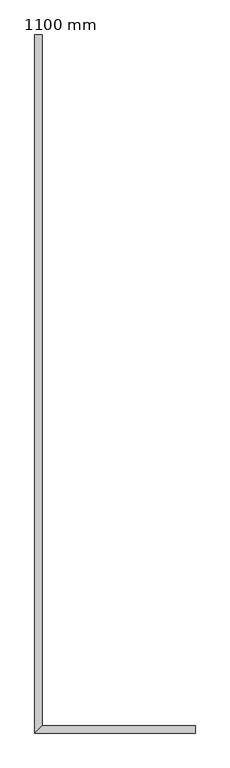
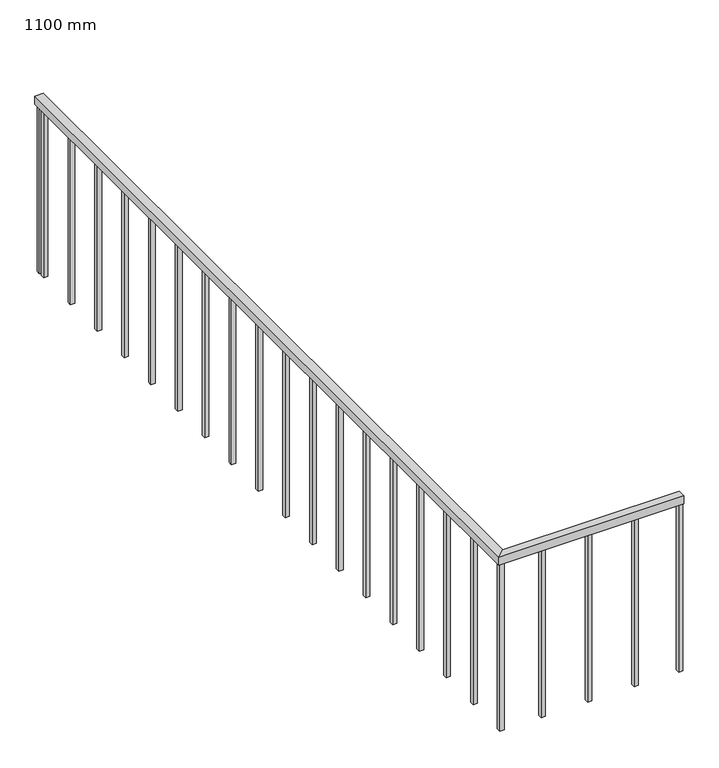
"""IFC4 building model written with IfcOpenShell, lengths in millimetres: railing geometry, 1100 mm."""

from ifc_helpers import new_model, si_unit, frame, origin, place, context, project, spatial, polyline, outline, extrude, faceted_brep, source, transform, mapped, element, save


def railing_1100_mm_353af4ba(model_context):
    return source(origin(), model_context, "Body", "SolidModel", [
        faceted_brep([(-596.3333557, -1197.5476232, 9500.0), (-596.3333557, -1247.5476232, 9500.0), (-596.3333557, -1247.5476232, 9450.0), (-596.3333557, -1197.5476232, 9450.0), (-1640.4724667, -1197.5476232, 9500.0), (-1690.4724667, -1247.5476232, 9500.0), (-1690.4724667, -1247.5476232, 9450.0), (-1640.4724667, -1197.5476232, 9450.0), (-1640.4724667, 3507.4523768, 9500.0), (-1640.4724667, 3507.4523768, 9450.0), (-1690.4724667, 3507.4523768, 9450.0), (-1690.4724667, 3507.4523768, 9500.0)], [[[0, 1, 2, 3]], [[1, 0, 4, 5]], [[2, 1, 5, 6]], [[3, 2, 6, 7]], [[0, 3, 7, 4]], [[8, 9, 10, 11]], [[5, 4, 8, 11]], [[6, 5, 11, 10]], [[7, 6, 10, 9]], [[4, 7, 9, 8]]]),
        extrude(outline(polyline([(-1652.9724667, 3439.9523768), (-1677.9724667, 3439.9523768), (-1677.9724667, 3464.9523768), (-1652.9724667, 3464.9523768), (-1652.9724667, 3439.9523768)])), frame((0.0, 0.0, 8400.0), z_axis=(0.0, 0.0, 1.0), x_axis=(1.0, 0.0, 0.0)), (0.0, 0.0, 1.0), 1050.0),
        extrude(outline(polyline([(-1652.9724667, 3164.9523768), (-1677.9724667, 3164.9523768), (-1677.9724667, 3189.9523768), (-1652.9724667, 3189.9523768), (-1652.9724667, 3164.9523768)])), frame((0.0, 0.0, 8400.0), z_axis=(0.0, 0.0, 1.0), x_axis=(1.0, 0.0, 0.0)), (0.0, 0.0, 1.0), 1050.0),
        extrude(outline(polyline([(-1652.9724667, 2889.9523768), (-1677.9724667, 2889.9523768), (-1677.9724667, 2914.9523768), (-1652.9724667, 2914.9523768), (-1652.9724667, 2889.9523768)])), frame((0.0, 0.0, 8400.0), z_axis=(0.0, 0.0, 1.0), x_axis=(1.0, 0.0, 0.0)), (0.0, 0.0, 1.0), 1050.0),
        extrude(outline(polyline([(-1652.9724667, 2614.9523768), (-1677.9724667, 2614.9523768), (-1677.9724667, 2639.9523768), (-1652.9724667, 2639.9523768), (-1652.9724667, 2614.9523768)])), frame((0.0, 0.0, 8400.0), z_axis=(0.0, 0.0, 1.0), x_axis=(1.0, 0.0, 0.0)), (0.0, 0.0, 1.0), 1050.0),
        extrude(outline(polyline([(-1652.9724667, 2339.9523768), (-1677.9724667, 2339.9523768), (-1677.9724667, 2364.9523768), (-1652.9724667, 2364.9523768), (-1652.9724667, 2339.9523768)])), frame((0.0, 0.0, 8400.0), z_axis=(0.0, 0.0, 1.0), x_axis=(1.0, 0.0, 0.0)), (0.0, 0.0, 1.0), 1050.0),
        extrude(outline(polyline([(-1652.9724667, 2064.9523768), (-1677.9724667, 2064.9523768), (-1677.9724667, 2089.9523768), (-1652.9724667, 2089.9523768), (-1652.9724667, 2064.9523768)])), frame((0.0, 0.0, 8400.0), z_axis=(0.0, 0.0, 1.0), x_axis=(1.0, 0.0, 0.0)), (0.0, 0.0, 1.0), 1050.0),
        extrude(outline(polyline([(-1652.9724667, 1789.9523768), (-1677.9724667, 1789.9523768), (-1677.9724667, 1814.9523768), (-1652.9724667, 1814.9523768), (-1652.9724667, 1789.9523768)])), frame((0.0, 0.0, 8400.0), z_axis=(0.0, 0.0, 1.0), x_axis=(1.0, 0.0, 0.0)), (0.0, 0.0, 1.0), 1050.0),
        extrude(outline(polyline([(-1652.9724667, 1514.9523768), (-1677.9724667, 1514.9523768), (-1677.9724667, 1539.9523768), (-1652.9724667, 1539.9523768), (-1652.9724667, 1514.9523768)])), frame((0.0, 0.0, 8400.0), z_axis=(0.0, 0.0, 1.0), x_axis=(1.0, 0.0, 0.0)), (0.0, 0.0, 1.0), 1050.0),
        extrude(outline(polyline([(-1652.9724667, 1239.9523768), (-1677.9724667, 1239.9523768), (-1677.9724667, 1264.9523768), (-1652.9724667, 1264.9523768), (-1652.9724667, 1239.9523768)])), frame((0.0, 0.0, 8400.0), z_axis=(0.0, 0.0, 1.0), x_axis=(1.0, 0.0, 0.0)), (0.0, 0.0, 1.0), 1050.0),
        extrude(outline(polyline([(-1652.9724667, 964.9523768), (-1677.9724667, 964.9523768), (-1677.9724667, 989.9523768), (-1652.9724667, 989.9523768), (-1652.9724667, 964.9523768)])), frame((0.0, 0.0, 8400.0), z_axis=(0.0, 0.0, 1.0), x_axis=(1.0, 0.0, 0.0)), (0.0, 0.0, 1.0), 1050.0),
        extrude(outline(polyline([(-1652.9724667, 689.9523768), (-1677.9724667, 689.9523768), (-1677.9724667, 714.9523768), (-1652.9724667, 714.9523768), (-1652.9724667, 689.9523768)])), frame((0.0, 0.0, 8400.0), z_axis=(0.0, 0.0, 1.0), x_axis=(1.0, 0.0, 0.0)), (0.0, 0.0, 1.0), 1050.0),
        extrude(outline(polyline([(-1652.9724667, 414.9523768), (-1677.9724667, 414.9523768), (-1677.9724667, 439.9523768), (-1652.9724667, 439.9523768), (-1652.9724667, 414.9523768)])), frame((0.0, 0.0, 8400.0), z_axis=(0.0, 0.0, 1.0), x_axis=(1.0, 0.0, 0.0)), (0.0, 0.0, 1.0), 1050.0),
        extrude(outline(polyline([(-1652.9724667, 139.9523768), (-1677.9724667, 139.9523768), (-1677.9724667, 164.9523768), (-1652.9724667, 164.9523768), (-1652.9724667, 139.9523768)])), frame((0.0, 0.0, 8400.0), z_axis=(0.0, 0.0, 1.0), x_axis=(1.0, 0.0, 0.0)), (0.0, 0.0, 1.0), 1050.0),
        extrude(outline(polyline([(-1652.9724667, -135.0476232), (-1677.9724667, -135.0476232), (-1677.9724667, -110.0476232), (-1652.9724667, -110.0476232), (-1652.9724667, -135.0476232)])), frame((0.0, 0.0, 8400.0), z_axis=(0.0, 0.0, 1.0), x_axis=(1.0, 0.0, 0.0)), (0.0, 0.0, 1.0), 1050.0),
        extrude(outline(polyline([(-1652.9724667, -410.0476232), (-1677.9724667, -410.0476232), (-1677.9724667, -385.0476232), (-1652.9724667, -385.0476232), (-1652.9724667, -410.0476232)])), frame((0.0, 0.0, 8400.0), z_axis=(0.0, 0.0, 1.0), x_axis=(1.0, 0.0, 0.0)), (0.0, 0.0, 1.0), 1050.0),
        extrude(outline(polyline([(-1652.9724667, -685.0476232), (-1677.9724667, -685.0476232), (-1677.9724667, -660.0476232), (-1652.9724667, -660.0476232), (-1652.9724667, -685.0476232)])), frame((0.0, 0.0, 8400.0), z_axis=(0.0, 0.0, 1.0), x_axis=(1.0, 0.0, 0.0)), (0.0, 0.0, 1.0), 1050.0),
        extrude(outline(polyline([(-1652.9724667, -960.0476232), (-1677.9724667, -960.0476232), (-1677.9724667, -935.0476232), (-1652.9724667, -935.0476232), (-1652.9724667, -960.0476232)])), frame((0.0, 0.0, 8400.0), z_axis=(0.0, 0.0, 1.0), x_axis=(1.0, 0.0, 0.0)), (0.0, 0.0, 1.0), 1050.0),
        extrude(outline(polyline([(-1408.8333557, -1210.0476232), (-1408.8333557, -1235.0476232), (-1433.8333557, -1235.0476232), (-1433.8333557, -1210.0476232), (-1408.8333557, -1210.0476232)])), frame((0.0, 0.0, 8400.0), z_axis=(0.0, 0.0, 1.0), x_axis=(1.0, 0.0, 0.0)), (0.0, 0.0, 1.0), 1050.0),
        extrude(outline(polyline([(-1133.8333557, -1210.0476232), (-1133.8333557, -1235.0476232), (-1158.8333557, -1235.0476232), (-1158.8333557, -1210.0476232), (-1133.8333557, -1210.0476232)])), frame((0.0, 0.0, 8400.0), z_axis=(0.0, 0.0, 1.0), x_axis=(1.0, 0.0, 0.0)), (0.0, 0.0, 1.0), 1050.0),
        extrude(outline(polyline([(-858.8333557, -1210.0476232), (-858.8333557, -1235.0476232), (-883.8333557, -1235.0476232), (-883.8333557, -1210.0476232), (-858.8333557, -1210.0476232)])), frame((0.0, 0.0, 8400.0), z_axis=(0.0, 0.0, 1.0), x_axis=(1.0, 0.0, 0.0)), (0.0, 0.0, 1.0), 1050.0),
        extrude(outline(polyline([(-1652.9724667, -1210.0476232), (-1652.9724667, -1235.0476232), (-1677.9724667, -1235.0476232), (-1677.9724667, -1210.0476232), (-1652.9724667, -1210.0476232)])), frame((0.0, 0.0, 8400.0), z_axis=(0.0, 0.0, 1.0), x_axis=(1.0, 0.0, 0.0)), (0.0, 0.0, 1.0), 1050.0),
        extrude(outline(polyline([(-1652.9724667, 3482.4523768), (-1677.9724667, 3482.4523768), (-1677.9724667, 3507.4523768), (-1652.9724667, 3507.4523768), (-1652.9724667, 3482.4523768)])), frame((0.0, 0.0, 8400.0), z_axis=(0.0, 0.0, 1.0), x_axis=(1.0, 0.0, 0.0)), (0.0, 0.0, 1.0), 1050.0),
        extrude(outline(polyline([(-596.3333557, -1210.0476232), (-596.3333557, -1235.0476232), (-621.3333557, -1235.0476232), (-621.3333557, -1210.0476232), (-596.3333557, -1210.0476232)])), frame((0.0, 0.0, 8400.0), z_axis=(0.0, 0.0, 1.0), x_axis=(1.0, 0.0, 0.0)), (0.0, 0.0, 1.0), 1050.0),
    ])


if __name__ == "__main__":
    model = new_model("IFC4")
    model_context = context("Model", 3, world=origin())
    ifc_project = project(units=[si_unit("LENGTHUNIT", "METRE", prefix="MILLI")], contexts=[model_context])
    site = spatial("IfcSite", under=ifc_project)
    building = spatial("IfcBuilding", under=site)
    placement = place(None, origin())
    railing_1100_mm_shape = railing_1100_mm_353af4ba(model_context)
    element("IfcRailing", 1, ObjectType="1100 mm", at=placement, inside=building, context=model_context, shape_type="MappedRepresentation", body=[
        mapped(railing_1100_mm_shape, transform((0.0, 0.0, 0.0), x_axis=(1.0, 0.0, 0.0), y_axis=(0.0, 1.0, 0.0), z_axis=(0.0, 0.0, 1.0))),
    ])
    save(model, "model.ifc")
